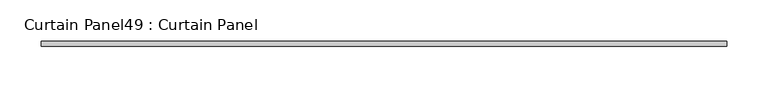
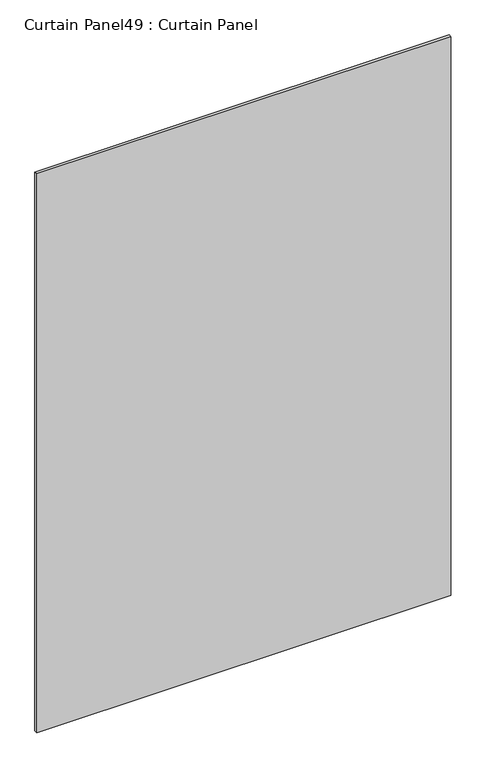
"""IFC4 building model written with IfcOpenShell, lengths in millimetres: plate geometry, Curtain Panel49 : Curtain Panel."""

from ifc_helpers import new_model, si_unit, frame, origin, place, context, project, spatial, polyline, outline, extrude, source, transform, mapped, element, save


def curtain_panel49_curtain_panel_cd3cf4a5(model_context):
    return source(origin(), model_context, "Body", "SweptSolid", [
        extrude(outline(polyline([(-39240.7564191, 3064.6151643), (-40072.5893286, 3064.6151643), (-40072.5893286, 3070.9651643), (-39240.7564191, 3070.9651643), (-39240.7564191, 3064.6151643)])), frame((0.0, 0.0, 1235.0694261), z_axis=(0.0, 0.0, 1.0), x_axis=(1.0, 0.0, 0.0)), (0.0, 0.0, 1.0), 1187.2142623),
    ])


if __name__ == "__main__":
    model = new_model("IFC4")
    model_context = context("Model", 3, world=origin())
    ifc_project = project(units=[si_unit("LENGTHUNIT", "METRE", prefix="MILLI")], contexts=[model_context])
    site = spatial("IfcSite", under=ifc_project)
    building = spatial("IfcBuilding", under=site)
    placement = place(None, origin())
    curtain_panel49_curtain_panel_shape = curtain_panel49_curtain_panel_cd3cf4a5(model_context)
    element("IfcPlate", 1, ObjectType="Curtain Panel49 : Curtain Panel", at=placement, inside=building, context=model_context, shape_type="MappedRepresentation", body=[
        mapped(curtain_panel49_curtain_panel_shape, transform((0.0, 0.0, 0.0), x_axis=(1.0, 0.0, 0.0), y_axis=(0.0, 1.0, 0.0), z_axis=(0.0, 0.0, 1.0))),
    ])
    save(model, "model.ifc")
